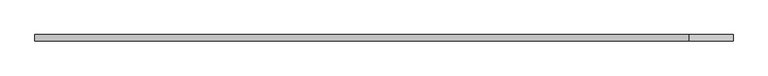
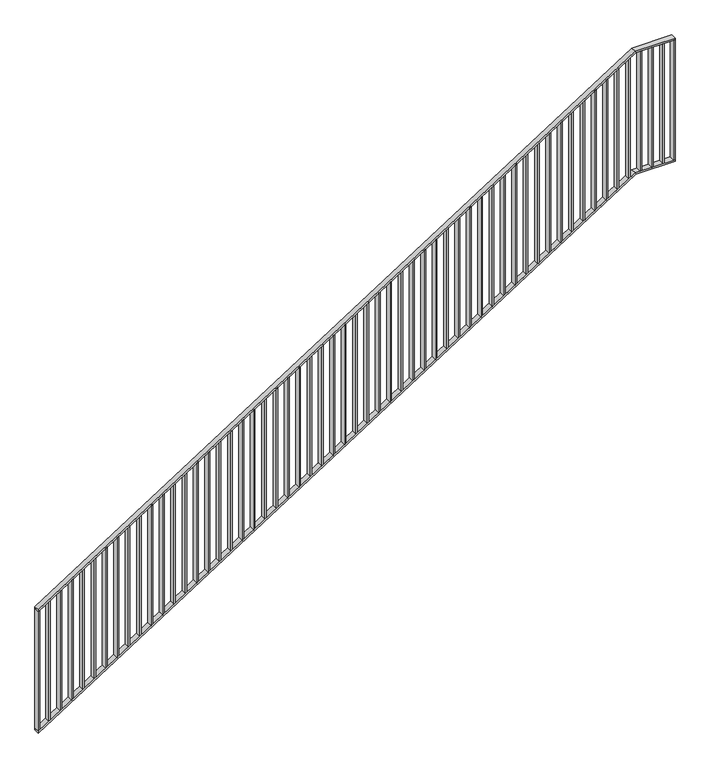
"""IFC4 building model written with IfcOpenShell, lengths in millimetres: railing geometry."""

from ifc_helpers import new_model, si_unit, frame, origin, place, context, project, spatial, polyline, outline, extrude, faceted_brep, source, transform, mapped, element, save


def railing_591328ee(model_context):
    return source(origin(), model_context, "Body", "SolidModel", [
        faceted_brep([(20020.0, 1014.6, 1178.125), (20020.0, 1014.6, 1166.2576574), (20020.0, 974.6, 1166.2576574), (20020.0, 974.6, 1178.125), (24201.25, 1014.6, 3850.0), (24204.1722273, 1014.6, 3840.0), (24204.1722273, 974.6, 3840.0), (24201.25, 974.6, 3850.0), (24480.0, 1014.6, 3850.0), (24480.0, 974.6, 3850.0), (24480.0, 974.6, 3840.0), (24480.0, 1014.6, 3840.0)], [[[0, 1, 2, 3]], [[1, 0, 4, 5]], [[2, 1, 5, 6]], [[3, 2, 6, 7]], [[0, 3, 7, 4]], [[8, 9, 10, 11]], [[5, 4, 8, 11]], [[6, 5, 11, 10]], [[7, 6, 10, 9]], [[4, 7, 9, 8]]]),
        faceted_brep([(20020.0, 1014.6, 278.125), (20020.0, 1014.6, 266.2576574), (20020.0, 974.6, 266.2576574), (20020.0, 974.6, 278.125), (24201.25, 1014.6, 2950.0), (24204.1722273, 1014.6, 2940.0), (24204.1722273, 974.6, 2940.0), (24201.25, 974.6, 2950.0), (24480.0, 1014.6, 2950.0), (24480.0, 974.6, 2950.0), (24480.0, 974.6, 2940.0), (24480.0, 1014.6, 2940.0)], [[[0, 1, 2, 3]], [[1, 0, 4, 5]], [[2, 1, 5, 6]], [[3, 2, 6, 7]], [[0, 3, 7, 4]], [[8, 9, 10, 11]], [[5, 4, 8, 11]], [[6, 5, 11, 10]], [[7, 6, 10, 9]], [[4, 7, 9, 8]]]),
        extrude(outline(polyline([(24395.3571429, 1014.6), (24405.3571429, 1014.6), (24405.3571429, 974.6), (24395.3571429, 974.6), (24395.3571429, 1014.6)])), frame((0.0, 0.0, 2950.0), z_axis=(0.0, 0.0, 1.0), x_axis=(1.0, 0.0, 0.0)), (0.0, 0.0, 1.0), 890.0),
        extrude(outline(polyline([(24315.7142857, 1014.6), (24325.7142857, 1014.6), (24325.7142857, 974.6), (24315.7142857, 974.6), (24315.7142857, 1014.6)])), frame((0.0, 0.0, 2950.0), z_axis=(0.0, 0.0, 1.0), x_axis=(1.0, 0.0, 0.0)), (0.0, 0.0, 1.0), 890.0),
        extrude(outline(polyline([(24236.0714286, 1014.6), (24246.0714286, 1014.6), (24246.0714286, 974.6), (24236.0714286, 974.6), (24236.0714286, 1014.6)])), frame((0.0, 0.0, 2950.0), z_axis=(0.0, 0.0, 1.0), x_axis=(1.0, 0.0, 0.0)), (0.0, 0.0, 1.0), 890.0),
        extrude(outline(polyline([(2921.3585042, 24156.4285714), (2927.7486387, 24166.4285714), (3817.7486387, 24166.4285714), (3811.3585042, 24156.4285714), (2921.3585042, 24156.4285714)])), frame((0.0, 974.6, 0.0), z_axis=(0.0, 1.0, 0.0), x_axis=(0.0, 0.0, 1.0)), (0.0, 0.0, 1.0), 40.0),
        extrude(outline(polyline([(2870.465647, 24076.7857143), (2876.8557816, 24086.7857143), (3766.8557816, 24086.7857143), (3760.465647, 24076.7857143), (2870.465647, 24076.7857143)])), frame((0.0, 974.6, 0.0), z_axis=(0.0, 1.0, 0.0), x_axis=(0.0, 0.0, 1.0)), (0.0, 0.0, 1.0), 40.0),
        extrude(outline(polyline([(2819.5727899, 23997.1428571), (2825.9629244, 24007.1428571), (3715.9629244, 24007.1428571), (3709.5727899, 23997.1428571), (2819.5727899, 23997.1428571)])), frame((0.0, 974.6, 0.0), z_axis=(0.0, 1.0, 0.0), x_axis=(0.0, 0.0, 1.0)), (0.0, 0.0, 1.0), 40.0),
        extrude(outline(polyline([(2768.6799327, 23917.5), (2775.0700673, 23927.5), (3665.0700673, 23927.5), (3658.6799327, 23917.5), (2768.6799327, 23917.5)])), frame((0.0, 974.6, 0.0), z_axis=(0.0, 1.0, 0.0), x_axis=(0.0, 0.0, 1.0)), (0.0, 0.0, 1.0), 40.0),
        extrude(outline(polyline([(2717.7870756, 23837.8571429), (2724.1772101, 23847.8571429), (3614.1772101, 23847.8571429), (3607.7870756, 23837.8571429), (2717.7870756, 23837.8571429)])), frame((0.0, 974.6, 0.0), z_axis=(0.0, 1.0, 0.0), x_axis=(0.0, 0.0, 1.0)), (0.0, 0.0, 1.0), 40.0),
        extrude(outline(polyline([(2666.8942184, 23758.2142857), (2673.284353, 23768.2142857), (3563.284353, 23768.2142857), (3556.8942184, 23758.2142857), (2666.8942184, 23758.2142857)])), frame((0.0, 974.6, 0.0), z_axis=(0.0, 1.0, 0.0), x_axis=(0.0, 0.0, 1.0)), (0.0, 0.0, 1.0), 40.0),
        extrude(outline(polyline([(2616.0013613, 23678.5714286), (2622.3914958, 23688.5714286), (3512.3914958, 23688.5714286), (3506.0013613, 23678.5714286), (2616.0013613, 23678.5714286)])), frame((0.0, 974.6, 0.0), z_axis=(0.0, 1.0, 0.0), x_axis=(0.0, 0.0, 1.0)), (0.0, 0.0, 1.0), 40.0),
        extrude(outline(polyline([(2565.1085042, 23598.9285714), (2571.4986387, 23608.9285714), (3461.4986387, 23608.9285714), (3455.1085042, 23598.9285714), (2565.1085042, 23598.9285714)])), frame((0.0, 974.6, 0.0), z_axis=(0.0, 1.0, 0.0), x_axis=(0.0, 0.0, 1.0)), (0.0, 0.0, 1.0), 40.0),
        extrude(outline(polyline([(2514.215647, 23519.2857143), (2520.6057816, 23529.2857143), (3410.6057816, 23529.2857143), (3404.215647, 23519.2857143), (2514.215647, 23519.2857143)])), frame((0.0, 974.6, 0.0), z_axis=(0.0, 1.0, 0.0), x_axis=(0.0, 0.0, 1.0)), (0.0, 0.0, 1.0), 40.0),
        extrude(outline(polyline([(2463.3227899, 23439.6428571), (2469.7129244, 23449.6428571), (3359.7129244, 23449.6428571), (3353.3227899, 23439.6428571), (2463.3227899, 23439.6428571)])), frame((0.0, 974.6, 0.0), z_axis=(0.0, 1.0, 0.0), x_axis=(0.0, 0.0, 1.0)), (0.0, 0.0, 1.0), 40.0),
        extrude(outline(polyline([(2412.4299327, 23360.0), (2418.8200673, 23370.0), (3308.8200673, 23370.0), (3302.4299327, 23360.0), (2412.4299327, 23360.0)])), frame((0.0, 974.6, 0.0), z_axis=(0.0, 1.0, 0.0), x_axis=(0.0, 0.0, 1.0)), (0.0, 0.0, 1.0), 40.0),
        extrude(outline(polyline([(2361.5370756, 23280.3571429), (2367.9272101, 23290.3571429), (3257.9272101, 23290.3571429), (3251.5370756, 23280.3571429), (2361.5370756, 23280.3571429)])), frame((0.0, 974.6, 0.0), z_axis=(0.0, 1.0, 0.0), x_axis=(0.0, 0.0, 1.0)), (0.0, 0.0, 1.0), 40.0),
        extrude(outline(polyline([(2310.6442184, 23200.7142857), (2317.034353, 23210.7142857), (3207.034353, 23210.7142857), (3200.6442184, 23200.7142857), (2310.6442184, 23200.7142857)])), frame((0.0, 974.6, 0.0), z_axis=(0.0, 1.0, 0.0), x_axis=(0.0, 0.0, 1.0)), (0.0, 0.0, 1.0), 40.0),
        extrude(outline(polyline([(2259.7513613, 23121.0714286), (2266.1414958, 23131.0714286), (3156.1414958, 23131.0714286), (3149.7513613, 23121.0714286), (2259.7513613, 23121.0714286)])), frame((0.0, 974.6, 0.0), z_axis=(0.0, 1.0, 0.0), x_axis=(0.0, 0.0, 1.0)), (0.0, 0.0, 1.0), 40.0),
        extrude(outline(polyline([(2208.8585042, 23041.4285714), (2215.2486387, 23051.4285714), (3105.2486387, 23051.4285714), (3098.8585042, 23041.4285714), (2208.8585042, 23041.4285714)])), frame((0.0, 974.6, 0.0), z_axis=(0.0, 1.0, 0.0), x_axis=(0.0, 0.0, 1.0)), (0.0, 0.0, 1.0), 40.0),
        extrude(outline(polyline([(2157.965647, 22961.7857143), (2164.3557816, 22971.7857143), (3054.3557816, 22971.7857143), (3047.965647, 22961.7857143), (2157.965647, 22961.7857143)])), frame((0.0, 974.6, 0.0), z_axis=(0.0, 1.0, 0.0), x_axis=(0.0, 0.0, 1.0)), (0.0, 0.0, 1.0), 40.0),
        extrude(outline(polyline([(2107.0727899, 22882.1428571), (2113.4629244, 22892.1428571), (3003.4629244, 22892.1428571), (2997.0727899, 22882.1428571), (2107.0727899, 22882.1428571)])), frame((0.0, 974.6, 0.0), z_axis=(0.0, 1.0, 0.0), x_axis=(0.0, 0.0, 1.0)), (0.0, 0.0, 1.0), 40.0),
        extrude(outline(polyline([(2056.1799327, 22802.5), (2062.5700673, 22812.5), (2952.5700673, 22812.5), (2946.1799327, 22802.5), (2056.1799327, 22802.5)])), frame((0.0, 974.6, 0.0), z_axis=(0.0, 1.0, 0.0), x_axis=(0.0, 0.0, 1.0)), (0.0, 0.0, 1.0), 40.0),
        extrude(outline(polyline([(2005.2870756, 22722.8571429), (2011.6772101, 22732.8571429), (2901.6772101, 22732.8571429), (2895.2870756, 22722.8571429), (2005.2870756, 22722.8571429)])), frame((0.0, 974.6, 0.0), z_axis=(0.0, 1.0, 0.0), x_axis=(0.0, 0.0, 1.0)), (0.0, 0.0, 1.0), 40.0),
        extrude(outline(polyline([(1954.3942184, 22643.2142857), (1960.784353, 22653.2142857), (2850.784353, 22653.2142857), (2844.3942184, 22643.2142857), (1954.3942184, 22643.2142857)])), frame((0.0, 974.6, 0.0), z_axis=(0.0, 1.0, 0.0), x_axis=(0.0, 0.0, 1.0)), (0.0, 0.0, 1.0), 40.0),
        extrude(outline(polyline([(1903.5013613, 22563.5714286), (1909.8914958, 22573.5714286), (2799.8914958, 22573.5714286), (2793.5013613, 22563.5714286), (1903.5013613, 22563.5714286)])), frame((0.0, 974.6, 0.0), z_axis=(0.0, 1.0, 0.0), x_axis=(0.0, 0.0, 1.0)), (0.0, 0.0, 1.0), 40.0),
        extrude(outline(polyline([(1852.6085042, 22483.9285714), (1858.9986387, 22493.9285714), (2748.9986387, 22493.9285714), (2742.6085042, 22483.9285714), (1852.6085042, 22483.9285714)])), frame((0.0, 974.6, 0.0), z_axis=(0.0, 1.0, 0.0), x_axis=(0.0, 0.0, 1.0)), (0.0, 0.0, 1.0), 40.0),
        extrude(outline(polyline([(1801.715647, 22404.2857143), (1808.1057816, 22414.2857143), (2698.1057816, 22414.2857143), (2691.715647, 22404.2857143), (1801.715647, 22404.2857143)])), frame((0.0, 974.6, 0.0), z_axis=(0.0, 1.0, 0.0), x_axis=(0.0, 0.0, 1.0)), (0.0, 0.0, 1.0), 40.0),
        extrude(outline(polyline([(1750.8227899, 22324.6428571), (1757.2129244, 22334.6428571), (2647.2129244, 22334.6428571), (2640.8227899, 22324.6428571), (1750.8227899, 22324.6428571)])), frame((0.0, 974.6, 0.0), z_axis=(0.0, 1.0, 0.0), x_axis=(0.0, 0.0, 1.0)), (0.0, 0.0, 1.0), 40.0),
        extrude(outline(polyline([(1699.9299327, 22245.0), (1706.3200673, 22255.0), (2596.3200673, 22255.0), (2589.9299327, 22245.0), (1699.9299327, 22245.0)])), frame((0.0, 974.6, 0.0), z_axis=(0.0, 1.0, 0.0), x_axis=(0.0, 0.0, 1.0)), (0.0, 0.0, 1.0), 40.0),
        extrude(outline(polyline([(1649.0370756, 22165.3571429), (1655.4272101, 22175.3571429), (2545.4272101, 22175.3571429), (2539.0370756, 22165.3571429), (1649.0370756, 22165.3571429)])), frame((0.0, 974.6, 0.0), z_axis=(0.0, 1.0, 0.0), x_axis=(0.0, 0.0, 1.0)), (0.0, 0.0, 1.0), 40.0),
        extrude(outline(polyline([(1598.1442184, 22085.7142857), (1604.534353, 22095.7142857), (2494.534353, 22095.7142857), (2488.1442184, 22085.7142857), (1598.1442184, 22085.7142857)])), frame((0.0, 974.6, 0.0), z_axis=(0.0, 1.0, 0.0), x_axis=(0.0, 0.0, 1.0)), (0.0, 0.0, 1.0), 40.0),
        extrude(outline(polyline([(1547.2513613, 22006.0714286), (1553.6414958, 22016.0714286), (2443.6414958, 22016.0714286), (2437.2513613, 22006.0714286), (1547.2513613, 22006.0714286)])), frame((0.0, 974.6, 0.0), z_axis=(0.0, 1.0, 0.0), x_axis=(0.0, 0.0, 1.0)), (0.0, 0.0, 1.0), 40.0),
        extrude(outline(polyline([(1496.3585042, 21926.4285714), (1502.7486387, 21936.4285714), (2392.7486387, 21936.4285714), (2386.3585042, 21926.4285714), (1496.3585042, 21926.4285714)])), frame((0.0, 974.6, 0.0), z_axis=(0.0, 1.0, 0.0), x_axis=(0.0, 0.0, 1.0)), (0.0, 0.0, 1.0), 40.0),
        extrude(outline(polyline([(1445.465647, 21846.7857143), (1451.8557816, 21856.7857143), (2341.8557816, 21856.7857143), (2335.465647, 21846.7857143), (1445.465647, 21846.7857143)])), frame((0.0, 974.6, 0.0), z_axis=(0.0, 1.0, 0.0), x_axis=(0.0, 0.0, 1.0)), (0.0, 0.0, 1.0), 40.0),
        extrude(outline(polyline([(1394.5727899, 21767.1428571), (1400.9629244, 21777.1428571), (2290.9629244, 21777.1428571), (2284.5727899, 21767.1428571), (1394.5727899, 21767.1428571)])), frame((0.0, 974.6, 0.0), z_axis=(0.0, 1.0, 0.0), x_axis=(0.0, 0.0, 1.0)), (0.0, 0.0, 1.0), 40.0),
        extrude(outline(polyline([(1343.6799327, 21687.5), (1350.0700673, 21697.5), (2240.0700673, 21697.5), (2233.6799327, 21687.5), (1343.6799327, 21687.5)])), frame((0.0, 974.6, 0.0), z_axis=(0.0, 1.0, 0.0), x_axis=(0.0, 0.0, 1.0)), (0.0, 0.0, 1.0), 40.0),
        extrude(outline(polyline([(1292.7870756, 21607.8571429), (1299.1772101, 21617.8571429), (2189.1772101, 21617.8571429), (2182.7870756, 21607.8571429), (1292.7870756, 21607.8571429)])), frame((0.0, 974.6, 0.0), z_axis=(0.0, 1.0, 0.0), x_axis=(0.0, 0.0, 1.0)), (0.0, 0.0, 1.0), 40.0),
        extrude(outline(polyline([(1241.8942184, 21528.2142857), (1248.284353, 21538.2142857), (2138.284353, 21538.2142857), (2131.8942184, 21528.2142857), (1241.8942184, 21528.2142857)])), frame((0.0, 974.6, 0.0), z_axis=(0.0, 1.0, 0.0), x_axis=(0.0, 0.0, 1.0)), (0.0, 0.0, 1.0), 40.0),
        extrude(outline(polyline([(1191.0013613, 21448.5714286), (1197.3914958, 21458.5714286), (2087.3914958, 21458.5714286), (2081.0013613, 21448.5714286), (1191.0013613, 21448.5714286)])), frame((0.0, 974.6, 0.0), z_axis=(0.0, 1.0, 0.0), x_axis=(0.0, 0.0, 1.0)), (0.0, 0.0, 1.0), 40.0),
        extrude(outline(polyline([(1140.1085042, 21368.9285714), (1146.4986387, 21378.9285714), (2036.4986387, 21378.9285714), (2030.1085042, 21368.9285714), (1140.1085042, 21368.9285714)])), frame((0.0, 974.6, 0.0), z_axis=(0.0, 1.0, 0.0), x_axis=(0.0, 0.0, 1.0)), (0.0, 0.0, 1.0), 40.0),
        extrude(outline(polyline([(1089.215647, 21289.2857143), (1095.6057816, 21299.2857143), (1985.6057816, 21299.2857143), (1979.215647, 21289.2857143), (1089.215647, 21289.2857143)])), frame((0.0, 974.6, 0.0), z_axis=(0.0, 1.0, 0.0), x_axis=(0.0, 0.0, 1.0)), (0.0, 0.0, 1.0), 40.0),
        extrude(outline(polyline([(1038.3227899, 21209.6428571), (1044.7129244, 21219.6428571), (1934.7129244, 21219.6428571), (1928.3227899, 21209.6428571), (1038.3227899, 21209.6428571)])), frame((0.0, 974.6, 0.0), z_axis=(0.0, 1.0, 0.0), x_axis=(0.0, 0.0, 1.0)), (0.0, 0.0, 1.0), 40.0),
        extrude(outline(polyline([(987.4299327, 21130.0), (993.8200673, 21140.0), (1883.8200673, 21140.0), (1877.4299327, 21130.0), (987.4299327, 21130.0)])), frame((0.0, 974.6, 0.0), z_axis=(0.0, 1.0, 0.0), x_axis=(0.0, 0.0, 1.0)), (0.0, 0.0, 1.0), 40.0),
        extrude(outline(polyline([(936.5370756, 21050.3571429), (942.9272101, 21060.3571429), (1832.9272101, 21060.3571429), (1826.5370756, 21050.3571429), (936.5370756, 21050.3571429)])), frame((0.0, 974.6, 0.0), z_axis=(0.0, 1.0, 0.0), x_axis=(0.0, 0.0, 1.0)), (0.0, 0.0, 1.0), 40.0),
        extrude(outline(polyline([(885.6442184, 20970.7142857), (892.034353, 20980.7142857), (1782.034353, 20980.7142857), (1775.6442184, 20970.7142857), (885.6442184, 20970.7142857)])), frame((0.0, 974.6, 0.0), z_axis=(0.0, 1.0, 0.0), x_axis=(0.0, 0.0, 1.0)), (0.0, 0.0, 1.0), 40.0),
        extrude(outline(polyline([(834.7513613, 20891.0714286), (841.1414958, 20901.0714286), (1731.1414958, 20901.0714286), (1724.7513613, 20891.0714286), (834.7513613, 20891.0714286)])), frame((0.0, 974.6, 0.0), z_axis=(0.0, 1.0, 0.0), x_axis=(0.0, 0.0, 1.0)), (0.0, 0.0, 1.0), 40.0),
        extrude(outline(polyline([(783.8585042, 20811.4285714), (790.2486387, 20821.4285714), (1680.2486387, 20821.4285714), (1673.8585042, 20811.4285714), (783.8585042, 20811.4285714)])), frame((0.0, 974.6, 0.0), z_axis=(0.0, 1.0, 0.0), x_axis=(0.0, 0.0, 1.0)), (0.0, 0.0, 1.0), 40.0),
        extrude(outline(polyline([(732.965647, 20731.7857143), (739.3557816, 20741.7857143), (1629.3557816, 20741.7857143), (1622.965647, 20731.7857143), (732.965647, 20731.7857143)])), frame((0.0, 974.6, 0.0), z_axis=(0.0, 1.0, 0.0), x_axis=(0.0, 0.0, 1.0)), (0.0, 0.0, 1.0), 40.0),
        extrude(outline(polyline([(682.0727899, 20652.1428571), (688.4629244, 20662.1428571), (1578.4629244, 20662.1428571), (1572.0727899, 20652.1428571), (682.0727899, 20652.1428571)])), frame((0.0, 974.6, 0.0), z_axis=(0.0, 1.0, 0.0), x_axis=(0.0, 0.0, 1.0)), (0.0, 0.0, 1.0), 40.0),
        extrude(outline(polyline([(631.1799327, 20572.5), (637.5700673, 20582.5), (1527.5700673, 20582.5), (1521.1799327, 20572.5), (631.1799327, 20572.5)])), frame((0.0, 974.6, 0.0), z_axis=(0.0, 1.0, 0.0), x_axis=(0.0, 0.0, 1.0)), (0.0, 0.0, 1.0), 40.0),
        extrude(outline(polyline([(580.2870756, 20492.8571429), (586.6772101, 20502.8571429), (1476.6772101, 20502.8571429), (1470.2870756, 20492.8571429), (580.2870756, 20492.8571429)])), frame((0.0, 974.6, 0.0), z_axis=(0.0, 1.0, 0.0), x_axis=(0.0, 0.0, 1.0)), (0.0, 0.0, 1.0), 40.0),
        extrude(outline(polyline([(529.3942184, 20413.2142857), (535.784353, 20423.2142857), (1425.784353, 20423.2142857), (1419.3942184, 20413.2142857), (529.3942184, 20413.2142857)])), frame((0.0, 974.6, 0.0), z_axis=(0.0, 1.0, 0.0), x_axis=(0.0, 0.0, 1.0)), (0.0, 0.0, 1.0), 40.0),
        extrude(outline(polyline([(478.5013613, 20333.5714286), (484.8914958, 20343.5714286), (1374.8914958, 20343.5714286), (1368.5013613, 20333.5714286), (478.5013613, 20333.5714286)])), frame((0.0, 974.6, 0.0), z_axis=(0.0, 1.0, 0.0), x_axis=(0.0, 0.0, 1.0)), (0.0, 0.0, 1.0), 40.0),
        extrude(outline(polyline([(427.6085042, 20253.9285714), (433.9986387, 20263.9285714), (1323.9986387, 20263.9285714), (1317.6085042, 20253.9285714), (427.6085042, 20253.9285714)])), frame((0.0, 974.6, 0.0), z_axis=(0.0, 1.0, 0.0), x_axis=(0.0, 0.0, 1.0)), (0.0, 0.0, 1.0), 40.0),
        extrude(outline(polyline([(376.715647, 20174.2857143), (383.1057816, 20184.2857143), (1273.1057816, 20184.2857143), (1266.715647, 20174.2857143), (376.715647, 20174.2857143)])), frame((0.0, 974.6, 0.0), z_axis=(0.0, 1.0, 0.0), x_axis=(0.0, 0.0, 1.0)), (0.0, 0.0, 1.0), 40.0),
        extrude(outline(polyline([(325.8227899, 20094.6428571), (332.2129244, 20104.6428571), (1222.2129244, 20104.6428571), (1215.8227899, 20094.6428571), (325.8227899, 20094.6428571)])), frame((0.0, 974.6, 0.0), z_axis=(0.0, 1.0, 0.0), x_axis=(0.0, 0.0, 1.0)), (0.0, 0.0, 1.0), 40.0),
        extrude(outline(polyline([(24470.0, 1014.6), (24480.0, 1014.6), (24480.0, 974.6), (24470.0, 974.6), (24470.0, 1014.6)])), frame((0.0, 0.0, 2950.0), z_axis=(0.0, 0.0, 1.0), x_axis=(1.0, 0.0, 0.0)), (0.0, 0.0, 1.0), 890.0),
        extrude(outline(polyline([(278.125, 20020.0), (284.5151345, 20030.0), (1174.5151345, 20030.0), (1168.125, 20020.0), (278.125, 20020.0)])), frame((0.0, 974.6, 0.0), z_axis=(0.0, 1.0, 0.0), x_axis=(0.0, 0.0, 1.0)), (0.0, 0.0, 1.0), 40.0),
    ])


if __name__ == "__main__":
    model = new_model("IFC4")
    model_context = context("Model", 3, world=origin())
    ifc_project = project(units=[si_unit("LENGTHUNIT", "METRE", prefix="MILLI")], contexts=[model_context])
    site = spatial("IfcSite", under=ifc_project)
    building = spatial("IfcBuilding", under=site)
    placement = place(None, origin())
    railing_shape = railing_591328ee(model_context)
    element("IfcRailing", 1, at=placement, inside=building, context=model_context, shape_type="MappedRepresentation", body=[
        mapped(railing_shape, transform((0.0, 0.0, 0.0), x_axis=(1.0, 0.0, 0.0), y_axis=(0.0, 1.0, 0.0), z_axis=(0.0, 0.0, 1.0))),
    ])
    save(model, "model.ifc")
